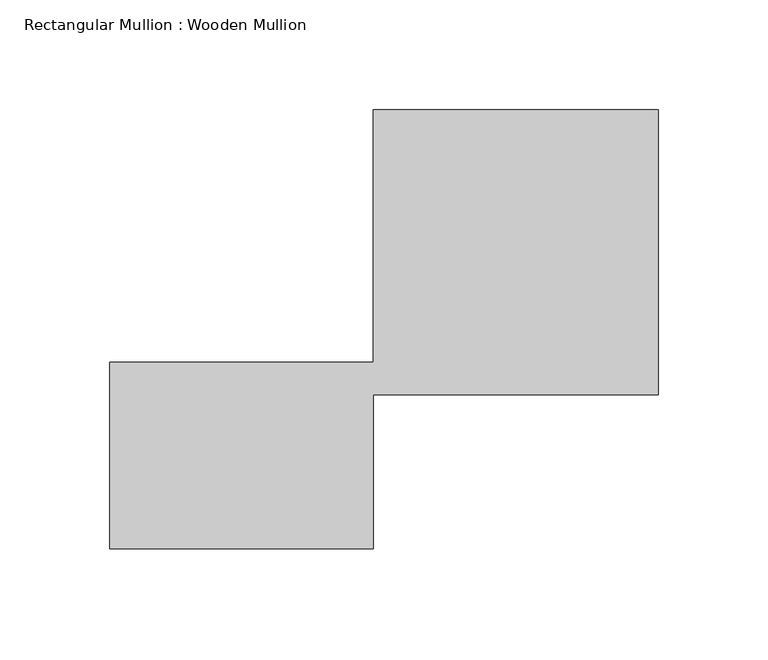
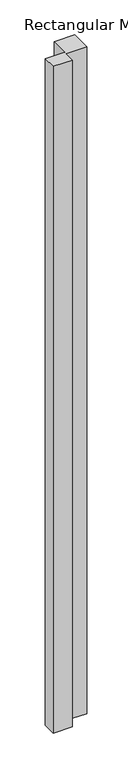
"""IFC4 building model written with IfcOpenShell, lengths in millimetres: member geometry, Rectangular Mullion : Wooden Mullion."""

from ifc_helpers import new_model, si_unit, frame, origin, place, context, project, spatial, polyline, outline, extrude, source, transform, mapped, element, save


def rectangular_mullion_wooden_mullion_3eb2fdb0(model_context):
    return source(origin(), model_context, "Body", "SweptSolid", [
        extrude(outline(polyline([(74.8100006, -26.0137344), (-45.1899994, -26.0137344), (-45.1899994, 58.9862656), (74.8100006, 58.9862656), (74.8100006, 173.9862656), (204.8100006, 173.9862656), (204.8100006, 43.9862656), (74.8100006, 43.9862656), (74.8100006, -26.0137344)])), frame((0.0, 0.0, -4430.8316104), z_axis=(0.0, 0.0, 1.0), x_axis=(1.0, 0.0, 0.0)), (0.0, 0.0, 1.0), 4430.8316104),
    ])


if __name__ == "__main__":
    model = new_model("IFC4")
    model_context = context("Model", 3, world=origin())
    ifc_project = project(units=[si_unit("LENGTHUNIT", "METRE", prefix="MILLI")], contexts=[model_context])
    site = spatial("IfcSite", under=ifc_project)
    building = spatial("IfcBuilding", under=site)
    placement = place(None, origin())
    rectangular_mullion_wooden_mullion_shape = rectangular_mullion_wooden_mullion_3eb2fdb0(model_context)
    element("IfcMember", 1, ObjectType="Rectangular Mullion : Wooden Mullion", at=placement, inside=building, context=model_context, shape_type="MappedRepresentation", body=[
        mapped(rectangular_mullion_wooden_mullion_shape, transform((0.0, 0.0, 0.0), x_axis=(1.0, 0.0, 0.0), y_axis=(0.0, 1.0, 0.0), z_axis=(0.0, 0.0, 1.0))),
    ])
    save(model, "model.ifc")
